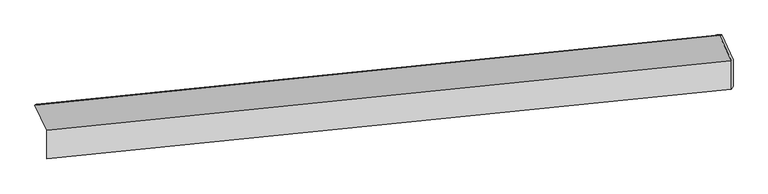
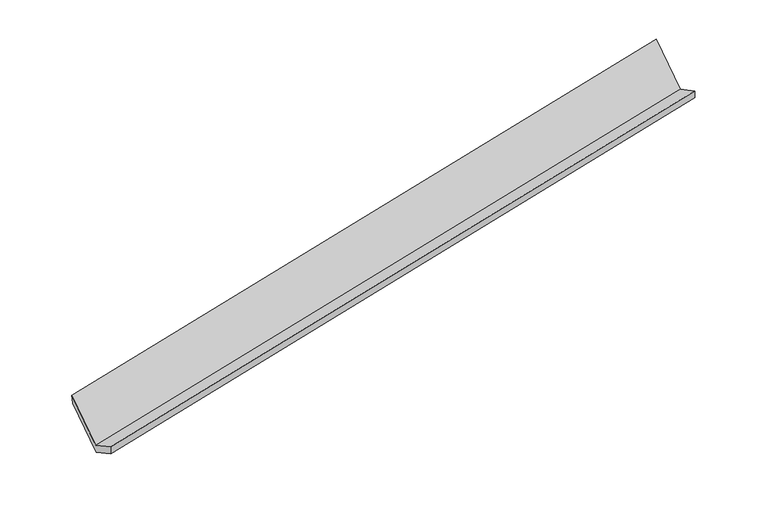
"""IFC4 building model written with IfcOpenShell, lengths in millimetres: proxy geometry."""

from ifc_helpers import new_model, si_unit, frame, origin, place, context, project, spatial, source, transform, mapped, element, save
from ifc_brep_helpers import plane_surface, spline_surface, advanced_brep


def generic_models_7540afce(model_context):
    return source(origin(), model_context, "Body", "AdvancedBrep", [
        advanced_brep(
        [(-7470.4459011, -1976.1529971, 807.6697853), (-7471.119924, -2363.7726179, 1015.0437311), (1830.6005558, -1416.1885157, 2827.0832887), (1831.2745788, -1028.5688949, 2619.7093428), (-7447.468008, -2323.2465707, 872.8683555), (1854.2524719, -1375.6624685, 2684.907913), (-7446.82594, -1954.0037378, 675.3258702), (1854.8792074, -1015.2370693, 2492.0826967), (-7604.076701, -1618.3383769, 1302.2343698), (1697.6284465, -679.5717085, 3118.9911964), (-7631.3252142, -1632.7421775, 1449.0441623), (1670.3952656, -685.1580754, 3261.0837198)],
        [
            (0, 1),
            (1, 2),
            (2, 3),
            (3, 0),
            (1, 4),
            (4, 5),
            (5, 2),
            (4, 6),
            (6, 7),
            (7, 5),
            (6, 8),
            (8, 9),
            (9, 7),
            (8, 10),
            (10, 11),
            (11, 9),
            (10, 0),
            (3, 11),
        ],
        [
            plane_surface(frame((-7470.7829126, -2169.9628075, 911.3567582), z_axis=(-0.2146987390280268, 0.4610171556791503, 0.8610270806596514), x_axis=(-0.0015332435038719122, -0.881743374866472, 0.4717269019713018))),
            plane_surface(frame((-7459.293966, -2343.5095943, 943.9560433), z_axis=(0.1459842241519031, -0.9575287411092094, -0.24865099285661377), x_axis=(0.15797597258637855, 0.27068173670181833, -0.9496183388611844))),
            plane_surface(frame((-7447.146974, -2138.6251542, 774.0971128), z_axis=(0.21469873902802672, -0.4610171556792029, -0.861027080659623), x_axis=(0.0015332435038983027, 0.8817433748664458, -0.47172690197135053))),
            plane_surface(frame((-7525.4513205, -1786.1710573, 988.78012), z_axis=(0.0030710839982222154, 0.8819006214483603, -0.47142535181306505), x_axis=(-0.21591636082398602, 0.4608921617537534, 0.860789486670509))),
            spline_surface(1, 1, [[(-7604.076701, -1618.3383769, 1302.2343698), (1697.6284465, -679.5717085, 3118.9911964)], [(-7631.3252142, -1632.7421775, 1449.0441623), (1670.3952656, -685.1580754, 3261.0837198)]], [2, 2], [2, 2], [0.0, 1.0], [0.0, 1.0]),
            plane_surface(frame((-7550.8855577, -1804.4475873, 1128.3569738), z_axis=(-0.002045857989777383, -0.8817960334810435, 0.4716265151602316), x_axis=(0.21591636082398702, -0.46089216175369063, -0.8607894866705423))),
            plane_surface(frame((1789.838421, -1033.3977887, 2833.9763596), z_axis=(0.9764106586333864, 0.1005337560876832, 0.1910894805948744), x_axis=(-0.18809195253259606, -0.038583471243859364, 0.9813932612053385))),
            plane_surface(frame((-7511.876948, -1978.0427463, 1020.364379), z_axis=(-0.9764106586333852, -0.10053375608763104, -0.19108948059490846), x_axis=(-0.21591636082399243, 0.4608921617536898, 0.8607894866705414))),
        ],
        [
            (0, [[1, 2, 3, 4]]),
            (1, [[5, 6, 7, -2]]),
            (2, [[8, 9, 10, -6]]),
            (3, [[11, 12, 13, -9]]),
            (4, [[14, 15, 16, -12]]),
            (5, [[17, -4, 18, -15]]),
            (6, [[-16, -18, -3, -7, -10, -13]]),
            (7, [[-17, -14, -11, -8, -5, -1]]),
        ],
    ),
    ])


if __name__ == "__main__":
    model = new_model("IFC4")
    model_context = context("Model", 3, world=origin())
    ifc_project = project(units=[si_unit("LENGTHUNIT", "METRE", prefix="MILLI")], contexts=[model_context])
    site = spatial("IfcSite", under=ifc_project)
    building = spatial("IfcBuilding", under=site)
    placement = place(None, origin())
    generic_models_shape = generic_models_7540afce(model_context)
    element("IfcBuildingElementProxy", 1, Name="Generic Models", at=placement, inside=building, context=model_context, shape_type="MappedRepresentation", body=[
        mapped(generic_models_shape, transform((0.0, 0.0, 0.0), x_axis=(1.0, 0.0, 0.0), y_axis=(0.0, 1.0, 0.0), z_axis=(0.0, 0.0, 1.0))),
    ])
    save(model, "model.ifc")
